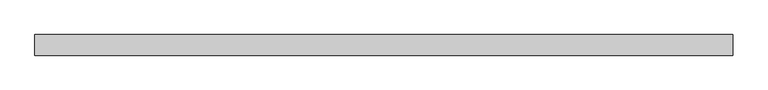
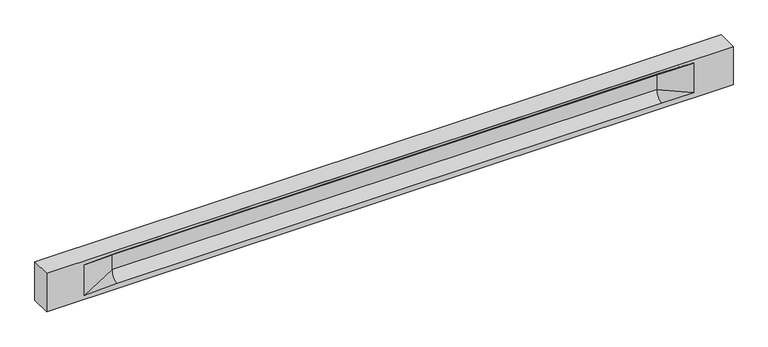
"""IFC4 building model written with IfcOpenShell, lengths in millimetres: beam geometry."""

from ifc_helpers import new_model, si_unit, frame, origin, place, context, project, spatial, polyline, circle_curve, source, transform, mapped, element, save
from ifc_brep_helpers import plane_surface, revolved_surface, spline_surface, advanced_brep


def beam_45c90423(model_context):
    return source(origin(), model_context, "Body", "AdvancedBrep", [
        advanced_brep(
        [(8467.0, -250.0, 500.0), (8467.0, -250.0, -500.0), (8467.0, 250.0, -500.0), (8467.0, 250.0, 500.0), (-8467.0, -250.0, 500.0), (-8467.0, -250.0, -500.0), (7492.0, -250.0, -362.0), (6692.0, -250.0, -360.0), (-6737.0, -250.0, -360.0), (-7537.0, -250.0, -400.0), (-7537.0, -250.0, 400.0), (-6737.0, -250.0, 435.0), (6692.0, -250.0, 435.0), (7492.0, -250.0, 400.0), (-8467.0, 250.0, -500.0), (-8467.0, 250.0, 500.0), (7492.0, 250.0, 400.0), (6692.0, 250.0, 435.0), (-6737.0, 250.0, 435.0), (-7537.0, 250.0, 400.0), (-7537.0, 250.0, -400.0), (-6737.0, 250.0, -360.0), (6692.0, 250.0, -360.0), (7492.0, 250.0, -362.0), (6692.0, 155.0, 405.0), (-6737.0, 155.0, 405.0), (6692.0, 60.0, 262.777021), (-6737.0, 60.0, 262.777021), (6692.0, 60.0, -120.0), (-6737.0, 60.0, -120.0), (6692.0, -60.0, -120.0), (-6737.0, -60.0, -120.0), (6692.0, -60.0, 262.777021), (-6737.0, -60.0, 262.777021), (6692.0, -155.0, 405.0), (-6737.0, -155.0, 405.0)],
        [
            (0, 1),
            (1, 2),
            (2, 3),
            (3, 0),
            (0, 4),
            (4, 5),
            (5, 1),
            (6, 7),
            (7, 8),
            (8, 9),
            (9, 10),
            (10, 11),
            (11, 12),
            (12, 13),
            (13, 6),
            (5, 14),
            (14, 2),
            (14, 15),
            (15, 3),
            (16, 17),
            (17, 18),
            (18, 19),
            (19, 20),
            (20, 21),
            (21, 22),
            (22, 23),
            (23, 16),
            (15, 4),
            (17, 24),
            (24, 25),
            (25, 18),
            (24, 26, circle_curve(frame((6692.0, 213.9598725, 262.777021), z_axis=(1.0, 0.0, 0.0), x_axis=(0.0, 1.0, 0.0)), 153.9598725)),
            (26, 27),
            (27, 25, circle_curve(frame((-6737.0, 213.9598725, 262.777021), z_axis=(-1.0, 0.0, 0.0), x_axis=(0.0, 1.0, 0.0)), 153.9598725)),
            (26, 28),
            (28, 29),
            (29, 27),
            (28, 22, circle_curve(frame((6692.0, 306.5789474, -120.0), z_axis=(1.0, 0.0, 0.0), x_axis=(0.0, 1.0, 0.0)), 246.5789474)),
            (21, 29, circle_curve(frame((-6737.0, 306.5789474, -120.0), z_axis=(-1.0, 0.0, 0.0), x_axis=(0.0, 1.0, 0.0)), 246.5789474)),
            (7, 30, circle_curve(frame((6692.0, -306.5789474, -120.0), z_axis=(1.0, 0.0, 0.0), x_axis=(0.0, 1.0, 0.0)), 246.5789474)),
            (30, 31),
            (31, 8, circle_curve(frame((-6737.0, -306.5789474, -120.0), z_axis=(-1.0, 0.0, 0.0), x_axis=(0.0, 1.0, 0.0)), 246.5789474)),
            (30, 32),
            (32, 33),
            (33, 31),
            (32, 34, circle_curve(frame((6692.0, -213.9598725, 262.777021), z_axis=(1.0, 0.0, 0.0), x_axis=(0.0, 1.0, 0.0)), 153.9598725)),
            (34, 35),
            (35, 33, circle_curve(frame((-6737.0, -213.9598725, 262.777021), z_axis=(-1.0, 0.0, 0.0), x_axis=(0.0, 1.0, 0.0)), 153.9598725)),
            (34, 12),
            (11, 35),
            (27, 19),
            (19, 25),
            (10, 35),
            (10, 33),
            (9, 31),
            (20, 29),
            (34, 13),
            (32, 13),
            (30, 6),
            (28, 23),
            (26, 16),
            (24, 16),
        ],
        [
            plane_surface(frame((8467.0, 0.0, 0.0), z_axis=(1.0, 0.0, 0.0), x_axis=(0.0, 0.0, 1.0))),
            plane_surface(frame((8467.0, -250.0, 500.0), z_axis=(0.0, -1.0, 0.0), x_axis=(-1.0, 0.0, 0.0))),
            plane_surface(frame((8467.0, -250.0, -500.0), z_axis=(0.0, 0.0, -1.0), x_axis=(-1.0, 0.0, 0.0))),
            plane_surface(frame((8467.0, 250.0, -500.0), z_axis=(0.0, 1.0, 0.0), x_axis=(-1.0, 0.0, 0.0))),
            plane_surface(frame((8467.0, 250.0, 500.0), z_axis=(0.0, 0.0, 1.0), x_axis=(-1.0, 0.0, 0.0))),
            plane_surface(frame((-6737.0, 250.0, 435.0), z_axis=(0.0, 0.30113136793710954, -0.9535826651341378), x_axis=(1.0, 0.0, 0.0))),
            revolved_surface(polyline([(6692.0, 367.919745, 262.777021), (-6737.0, 367.919745, 262.777021)]), (-6737.0, 213.9598725, 262.777021), (1.0, 0.0, 0.0)),
            plane_surface(frame((-6737.0, 60.0, 262.777021), z_axis=(0.0, 1.0, 0.0), x_axis=(1.0, 0.0, 0.0))),
            revolved_surface(polyline([(6692.0, 553.1578948, -120.0), (-6737.0, 553.1578948, -120.0)]), (-6737.0, 306.5789474, -120.0), (1.0, 0.0, 0.0)),
            revolved_surface(polyline([(6692.0, -60.0, -120.0), (-6737.0, -60.0, -120.0)]), (-6737.0, -306.5789474, -120.0), (1.0, 0.0, 0.0)),
            plane_surface(frame((-6737.0, -60.0, -120.0), z_axis=(0.0, -1.0, 0.0), x_axis=(1.0, 0.0, 0.0))),
            revolved_surface(polyline([(6692.0, -60.0, 262.777021), (-6737.0, -60.0, 262.777021)]), (-6737.0, -213.9598725, 262.777021), (1.0, 0.0, 0.0)),
            plane_surface(frame((-6737.0, -155.0, 405.0), z_axis=(0.0, -0.30113136793710693, -0.9535826651341387), x_axis=(1.0, 0.0, 0.0))),
            spline_surface(2, 1, [[(-7537.0, 250.0, 400.0), (-6737.0, 60.0, 262.777021)], [(-7537.0, 250.0, 400.0), (-6737.0, 59.99999995452379, 365.6168572954922)], [(-7537.0, 250.0, 400.0), (-6737.0, 155.0, 405.0)]], [3, 3], [2, 2], [0.0, 1.0], [0.0, 1.0], weights=[[1.0, 1.0], [0.8315515921160737, 0.8315515921160737], [1.0, 1.0]]),
            plane_surface(frame((-7537.0, 250.0, 400.0), z_axis=(0.04168298285568782, 0.30086965068766386, -0.9527538938442265), x_axis=(0.0, 0.9535826651341378, 0.30113136793710954))),
            plane_surface(frame((-7537.0, -250.0, 400.0), z_axis=(0.04168298285568785, -0.30086965068766125, -0.9527538938442274), x_axis=(0.0, 0.9535826651341387, -0.30113136793710693))),
            spline_surface(2, 1, [[(-7537.0, -250.0, 400.0), (-6737.0, -155.0, 405.0)], [(-7537.0, -250.0, 400.0), (-6737.0, -60.00000008030692, 365.6168572114734)], [(-7537.0, -250.0, 400.0), (-6737.0, -60.0, 262.777021)]], [3, 3], [2, 2], [0.0, 1.0], [0.0, 1.0], weights=[[1.0, 1.0], [0.8315515924557569, 0.8315515924557569], [1.0, 1.0]]),
            plane_surface(frame((-7537.0, -250.0, 0.0), z_axis=(0.23107243079589995, -0.9729365507195595, 0.0), x_axis=(0.0, 0.0, -1.0))),
            spline_surface(2, 1, [[(-7537.0, -250.0, -400.0), (-6737.0, -60.0, -120.0)], [(-7537.0, -250.0, -400.0), (-6737.0, -59.99999998020837, -315.20833333333337)], [(-7537.0, -250.0, -400.0), (-6737.0, -250.0, -360.0)]], [3, 3], [2, 2], [0.0, 1.0], [0.0, 1.0], weights=[[1.0, 1.0], [0.7840458244617614, 0.7840458244617614], [1.0, 1.0]]),
            spline_surface(2, 1, [[(-7537.0, 250.0, -400.0), (-6737.0, 250.0, -360.0)], [(-7537.0, 250.0, -400.0), (-6737.0, 60.00000002887427, -315.20833329480604)], [(-7537.0, 250.0, -400.0), (-6737.0, 60.0, -120.0)]], [3, 3], [2, 2], [0.0, 1.0], [0.0, 1.0], weights=[[1.0, 1.0], [0.7840458245391329, 0.7840458245391329], [1.0, 1.0]]),
            plane_surface(frame((-7537.0, 250.0, 0.0), z_axis=(0.23107243079589565, 0.9729365507195605, 0.0), x_axis=(0.0, 0.0, 1.0))),
            plane_surface(frame((-8467.0, 0.0, 0.0), z_axis=(-1.0, 0.0, 0.0), x_axis=(0.0, 0.0, 1.0))),
            plane_surface(frame((6692.0, -202.5, 420.0), z_axis=(-0.04168298285568757, -0.30086965068766125, -0.9527538938442274), x_axis=(0.0, 0.9535826651341387, -0.30113136793710693))),
            spline_surface(2, 1, [[(6692.0, -155.0, 405.0), (7492.0, -250.0, 400.0)], [(6692.0, -60.00000008030692, 365.6168572114734), (7492.0, -250.0, 400.0)], [(6692.0, -60.0, 262.777021), (7492.0, -250.0, 400.0)]], [3, 3], [2, 2], [0.0, 1.0], [0.0, 1.0], weights=[[1.0, 1.0], [0.8315515924557569, 0.8315515924557569], [1.0, 1.0]]),
            plane_surface(frame((6692.0, -60.0, 71.3885105), z_axis=(-0.23107243079589793, -0.9729365507195601, 0.0), x_axis=(0.0, 0.0, -1.0))),
            spline_surface(2, 1, [[(6692.0, -60.0, -120.0), (7492.0, -250.0, -362.0)], [(6692.0, -59.99999998020837, -315.20833333333337), (7492.0, -250.0, -362.0)], [(6692.0, -250.0, -360.0), (7492.0, -250.0, -362.0)]], [3, 3], [2, 2], [0.0, 1.0], [0.0, 1.0], weights=[[1.0, 1.0], [0.7840458244617614, 0.7840458244617614], [1.0, 1.0]]),
            spline_surface(2, 1, [[(6692.0, 250.0, -360.0), (7492.0, 250.0, -362.0)], [(6692.0, 60.00000002887427, -315.20833329480604), (7492.0, 250.0, -362.0)], [(6692.0, 60.0, -120.0), (7492.0, 250.0, -362.0)]], [3, 3], [2, 2], [0.0, 1.0], [0.0, 1.0], weights=[[1.0, 1.0], [0.7840458245391329, 0.7840458245391329], [1.0, 1.0]]),
            plane_surface(frame((6692.0, 60.0, 71.3885105), z_axis=(-0.2310724307958915, 0.9729365507195615, 0.0), x_axis=(0.0, 0.0, 1.0))),
            spline_surface(2, 1, [[(6692.0, 60.0, 262.777021), (7492.0, 250.0, 400.0)], [(6692.0, 59.99999995452379, 365.6168572954922), (7492.0, 250.0, 400.0)], [(6692.0, 155.0, 405.0), (7492.0, 250.0, 400.0)]], [3, 3], [2, 2], [0.0, 1.0], [0.0, 1.0], weights=[[1.0, 1.0], [0.8315515921160737, 0.8315515921160737], [1.0, 1.0]]),
            plane_surface(frame((6692.0, 202.5, 420.0), z_axis=(-0.041682982855686834, 0.30086965068766386, -0.9527538938442265), x_axis=(0.0, 0.9535826651341378, 0.30113136793710954))),
        ],
        [
            (0, [[1, 2, 3, 4]]),
            (1, [[-1, 5, 6, 7], [8, 9, 10, 11, 12, 13, 14, 15]]),
            (2, [[-2, -7, 16, 17]]),
            (3, [[-3, -17, 18, 19], [20, 21, 22, 23, 24, 25, 26, 27]]),
            (4, [[-5, -4, -19, 28]]),
            (5, [[-21, 29, 30, 31]]),
            (6, [[-30, 32, 33, 34]]),
            (7, [[-33, 35, 36, 37]]),
            (8, [[-36, 38, -25, 39]]),
            (9, [[-9, 40, 41, 42]]),
            (10, [[-41, 43, 44, 45]]),
            (11, [[-44, 46, 47, 48]]),
            (12, [[-47, 49, -13, 50]]),
            (13, [[51, 52, -34]]),
            (14, [[-52, -22, -31]]),
            (15, [[-12, 53, -50]]),
            (16, [[-53, 54, -48]]),
            (17, [[-54, -11, 55, -45]]),
            (18, [[-55, -10, -42]]),
            (19, [[-24, 56, -39]]),
            (20, [[-51, -37, -56, -23]]),
            (21, [[-28, -18, -16, -6]]),
            (22, [[-14, -49, 57]]),
            (23, [[-57, -46, 58]]),
            (24, [[-58, -43, 59, -15]]),
            (25, [[-59, -40, -8]]),
            (26, [[-26, -38, 60]]),
            (27, [[-60, -35, 61, -27]]),
            (28, [[-61, -32, 62]]),
            (29, [[-62, -29, -20]]),
        ],
    ),
    ])


if __name__ == "__main__":
    model = new_model("IFC4")
    model_context = context("Model", 3, world=origin())
    ifc_project = project(units=[si_unit("LENGTHUNIT", "METRE", prefix="MILLI")], contexts=[model_context])
    site = spatial("IfcSite", under=ifc_project)
    building = spatial("IfcBuilding", under=site)
    placement = place(None, origin())
    beam_shape = beam_45c90423(model_context)
    element("IfcBeam", 1, at=placement, inside=building, context=model_context, shape_type="MappedRepresentation", body=[
        mapped(beam_shape, transform((0.0, 0.0, 0.0), x_axis=(1.0, 0.0, 0.0), y_axis=(0.0, 1.0, 0.0), z_axis=(0.0, 0.0, 1.0))),
    ])
    save(model, "model.ifc")
